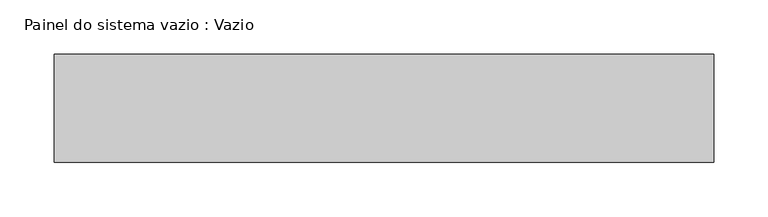
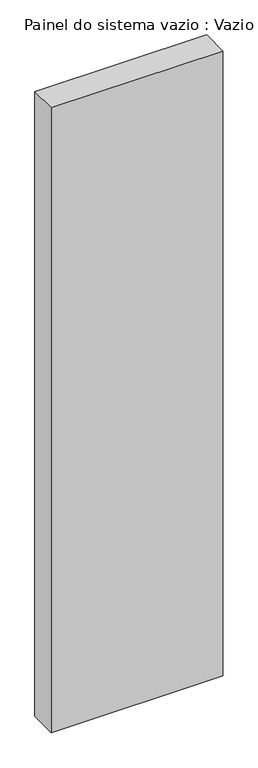
"""IFC4 building model written with IfcOpenShell, lengths in millimetres: plate geometry, Painel do sistema vazio : Vazio."""

from ifc_helpers import new_model, si_unit, origin, origin_with_axes, place, context, project, spatial, polyline, outline, extrude, source, transform, mapped, element, save


def painel_do_sistema_vazio_vazio_7aa77473(model_context):
    return source(origin(), model_context, "Body", "SweptSolid", [
        extrude(outline(polyline([(305.0, -50.0), (-305.0, -50.0), (-305.0, 50.0), (305.0, 50.0), (305.0, -50.0)])), origin_with_axes(), (0.0, 0.0, 1.0), 2347.5),
    ])


if __name__ == "__main__":
    model = new_model("IFC4")
    model_context = context("Model", 3, world=origin())
    ifc_project = project(units=[si_unit("LENGTHUNIT", "METRE", prefix="MILLI")], contexts=[model_context])
    site = spatial("IfcSite", under=ifc_project)
    building = spatial("IfcBuilding", under=site)
    placement = place(None, origin())
    painel_do_sistema_vazio_vazio_shape = painel_do_sistema_vazio_vazio_7aa77473(model_context)
    element("IfcPlate", 1, ObjectType="Painel do sistema vazio : Vazio", at=placement, inside=building, context=model_context, shape_type="MappedRepresentation", body=[
        mapped(painel_do_sistema_vazio_vazio_shape, transform((0.0, 0.0, 0.0), x_axis=(1.0, 0.0, 0.0), y_axis=(0.0, 1.0, 0.0), z_axis=(0.0, 0.0, 1.0))),
    ])
    save(model, "model.ifc")
